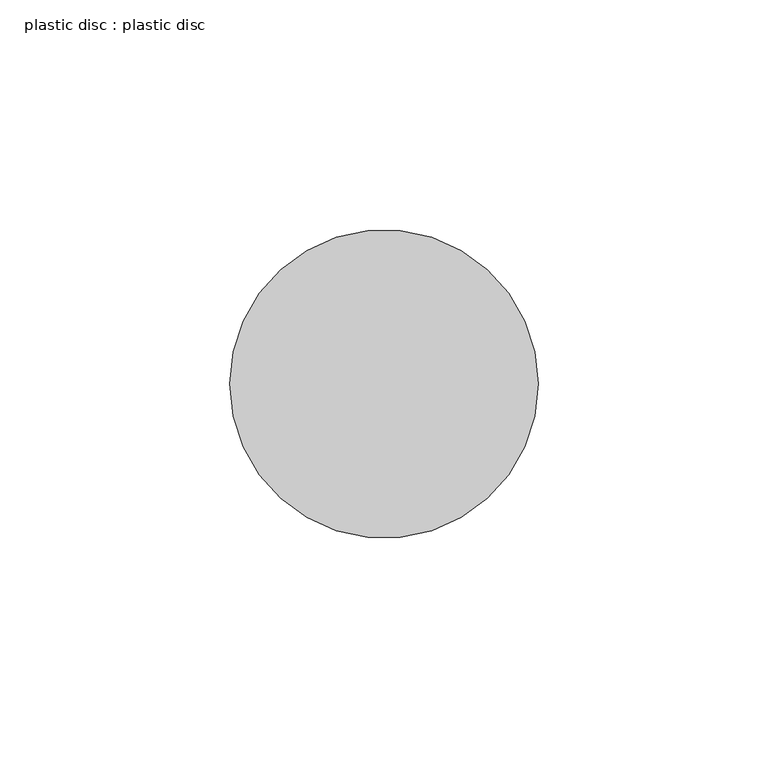
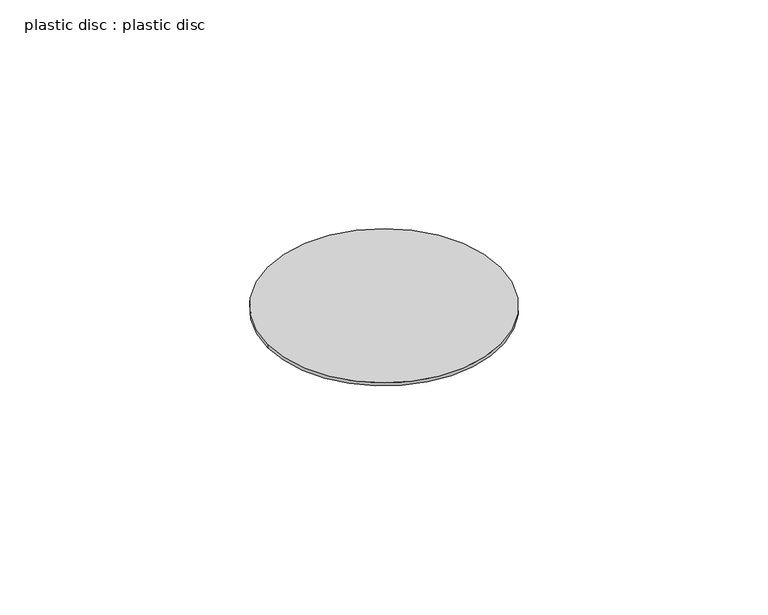
"""IFC4 building model written with IfcOpenShell, lengths in millimetres: proxy geometry, plastic disc : plastic disc."""

from ifc_helpers import new_model, si_unit, point, origin, origin_with_axes, origin_2d, place, context, project, spatial, circle_curve, trimmed, segment, composite_curve, outline, extrude, source, transform, mapped, element, save


def plastic_disc_plastic_disc_617ff72f(model_context):
    return source(origin(), model_context, "Body", "SweptSolid", [
        extrude(outline(composite_curve([segment(trimmed(circle_curve(origin_2d(), 33.5), [point((-33.5, 0.0))], [point((33.5, 0.0))], False, "CARTESIAN"), True, "CONTINUOUS"), segment(trimmed(circle_curve(origin_2d(), 33.5), [point((33.5, 0.0))], [point((-33.5, 0.0))], False, "CARTESIAN"), True, "CONTINUOUS")], self_intersect=False)), origin_with_axes(), (0.0, 0.0, 1.0), 1.0),
    ])


if __name__ == "__main__":
    model = new_model("IFC4")
    model_context = context("Model", 3, world=origin())
    ifc_project = project(units=[si_unit("LENGTHUNIT", "METRE", prefix="MILLI")], contexts=[model_context])
    site = spatial("IfcSite", under=ifc_project)
    building = spatial("IfcBuilding", under=site)
    placement = place(None, origin())
    plastic_disc_plastic_disc_shape = plastic_disc_plastic_disc_617ff72f(model_context)
    element("IfcBuildingElementProxy", 1, Name="plastic disc : plastic disc", ObjectType="plastic disc : plastic disc", at=placement, inside=building, context=model_context, shape_type="MappedRepresentation", body=[
        mapped(plastic_disc_plastic_disc_shape, transform((0.0, 0.0, 0.0), x_axis=(1.0, 0.0, 0.0), y_axis=(0.0, 1.0, 0.0), z_axis=(0.0, 0.0, 1.0))),
    ])
    save(model, "model.ifc")
